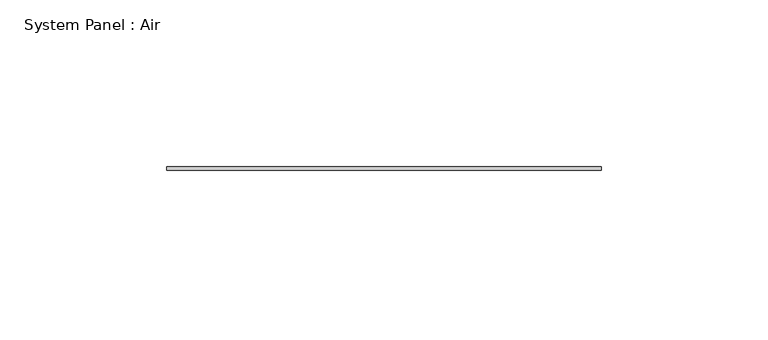
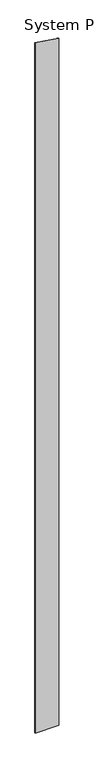
"""IFC4 building model written with IfcOpenShell, lengths in millimetres: plate geometry, System Panel : Air."""

from ifc_helpers import new_model, si_unit, frame, origin, place, context, project, spatial, polyline, outline, extrude, source, transform, mapped, element, save


def system_panel_air_23f1d78e(model_context):
    return source(origin(), model_context, "Body", "SweptSolid", [
        extrude(outline(polyline([(0.0, -65.0), (0.0, 65.0), (3956.1984712, 65.0), (3975.4537181, -65.0), (0.0, -65.0)])), frame((0.0, 36.5, 0.0), z_axis=(0.0, 1.0, 0.0), x_axis=(0.0, 0.0, 1.0)), (0.0, 0.0, 1.0), 1.0),
    ])


if __name__ == "__main__":
    model = new_model("IFC4")
    model_context = context("Model", 3, world=origin())
    ifc_project = project(units=[si_unit("LENGTHUNIT", "METRE", prefix="MILLI")], contexts=[model_context])
    site = spatial("IfcSite", under=ifc_project)
    building = spatial("IfcBuilding", under=site)
    placement = place(None, origin())
    system_panel_air_shape = system_panel_air_23f1d78e(model_context)
    element("IfcPlate", 1, ObjectType="System Panel : Air", at=placement, inside=building, context=model_context, shape_type="MappedRepresentation", body=[
        mapped(system_panel_air_shape, transform((0.0, 0.0, 0.0), x_axis=(1.0, 0.0, 0.0), y_axis=(0.0, 1.0, 0.0), z_axis=(0.0, 0.0, 1.0))),
    ])
    save(model, "model.ifc")
